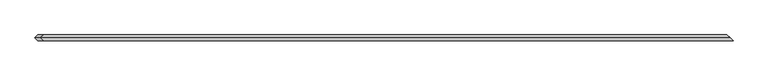
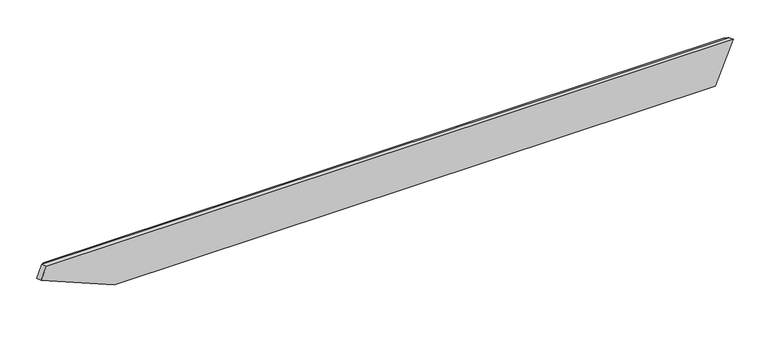
"""IFC4 building model written with IfcOpenShell, lengths in millimetres: beam geometry."""

from ifc_helpers import new_model, si_unit, origin, place, context, project, spatial, faceted_brep, source, transform, mapped, element, save


def beam_6a5cd41f(model_context):
    return source(origin(), model_context, "Body", "Brep", [
        faceted_brep([(2135.9202617, 19.05, -132.840332), (-1692.7906576, 19.05, -132.840332), (-2165.142523, 19.05, 61.9948721), (-2130.6383455, 19.05, 145.6456306), (2250.7898607, 19.05, 145.6456306), (-1692.7906576, -19.05, -132.840332), (2177.1341587, -19.05, -132.840332), (2292.0037578, -19.05, 145.6456306), (-2130.6383455, -19.05, 145.6456306), (-2165.142523, -19.05, 61.9948721), (-2182.753209, 0.0, 69.2589095), (-2148.2490315, 0.0, 152.909668), (2274.3930718, 0.0, 152.909668)], [[[0, 1, 2, 3, 4]], [[5, 6, 7, 8, 9]], [[0, 6, 5, 1]], [[2, 1, 5, 9, 10]], [[11, 10, 9, 8]], [[10, 11, 3, 2]], [[6, 0, 4, 12, 7]], [[8, 7, 12, 11]], [[4, 3, 11, 12]]]),
    ])


if __name__ == "__main__":
    model = new_model("IFC4")
    model_context = context("Model", 3, world=origin())
    ifc_project = project(units=[si_unit("LENGTHUNIT", "METRE", prefix="MILLI")], contexts=[model_context])
    site = spatial("IfcSite", under=ifc_project)
    building = spatial("IfcBuilding", under=site)
    placement = place(None, origin())
    beam_shape = beam_6a5cd41f(model_context)
    element("IfcBeam", 1, at=placement, inside=building, context=model_context, shape_type="MappedRepresentation", body=[
        mapped(beam_shape, transform((0.0, 0.0, 0.0), x_axis=(1.0, 0.0, 0.0), y_axis=(0.0, 1.0, 0.0), z_axis=(0.0, 0.0, 1.0))),
    ])
    save(model, "model.ifc")
